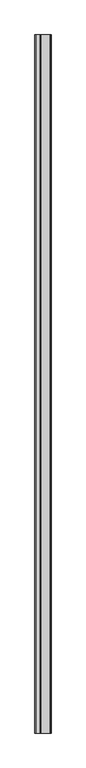
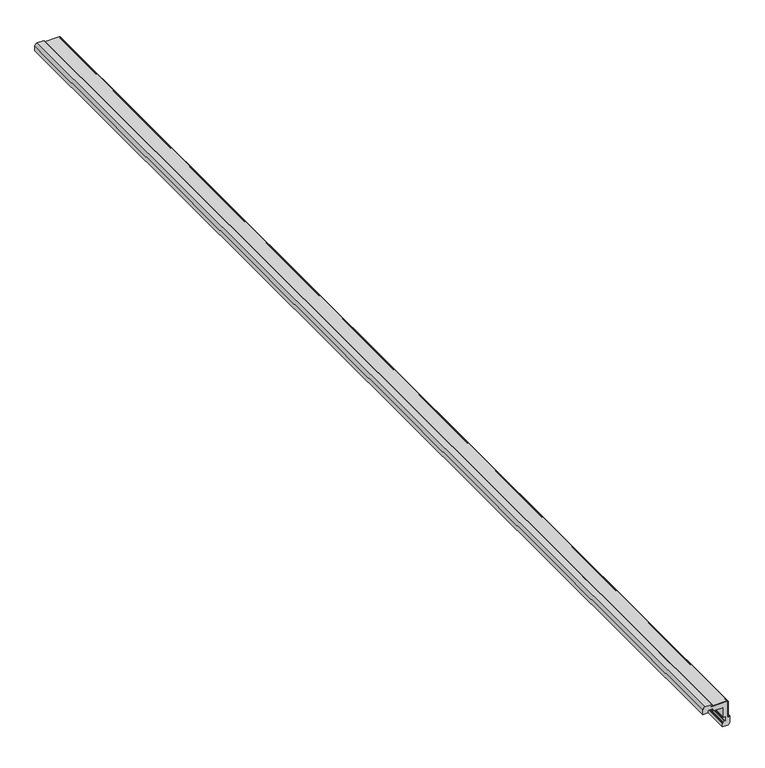
"""IFC4 building model written with IfcOpenShell, lengths in millimetres: proxy geometry."""

import ifcopenshell
import ifcopenshell.guid

model = None  # the IFC model being written
_history = None  # IfcOwnerHistory: only IFC2X3 demands one
_inside = {}  # id of a spatial element -> (the spatial element, [elements in it])
_under = {}  # id of a project, library or spatial element -> (it, [spatial elements below it])
_declared = {}  # id of a project -> (the project, [libraries it declares])
_typed = {}  # id of a type object -> (the type object, [elements of that type])
_made_of = {}  # id of a material, layer set ... -> (it, [elements and type objects made of it])


def new_model(schema):
    """Start an empty IFC model of exactly this schema.

    Asked for "IFC4X3", IfcOpenShell would pick the latest addendum, in which some entities
    have other attributes; the version numbers below select the first issue.
    IFC2X3 requires an IfcOwnerHistory on every rooted entity: one is made here for all.
    """
    global model, _history
    if schema == "IFC4X3":
        model = ifcopenshell.file(schema_version=(4, 3, 0, 0))
    else:
        model = ifcopenshell.file(schema=schema)
    _inside.clear()
    _under.clear()
    _declared.clear()
    _typed.clear()
    _made_of.clear()
    _history = None
    if model.schema == "IFC2X3":
        org = make("IfcOrganization", Name="unknown")
        user = make(
            "IfcPersonAndOrganization",
            ThePerson=make("IfcPerson", FamilyName="unknown"),
            TheOrganization=org,
        )
        app = make(
            "IfcApplication",
            ApplicationDeveloper=org,
            Version="unknown",
            ApplicationFullName="unknown",
            ApplicationIdentifier="unknown",
        )
        _history = make(
            "IfcOwnerHistory",
            OwningUser=user,
            OwningApplication=app,
            ChangeAction="ADDED",
            CreationDate=0,
        )
    return model


def make(cls, **values):
    """One entity of the class cls with the attributes given. An attribute that is None is left unset."""
    return model.create_entity(
        cls, **{name: value for name, value in values.items() if value is not None}
    )


def rooted(cls, **values):
    """An entity with a GlobalId (a new one), such as an element, a storey or a relation."""
    return make(cls, GlobalId=ifcopenshell.guid.new(), OwnerHistory=_history, **values)


def si_unit(unit_type, name, prefix=None):
    """IfcSIUnit, for example si_unit("LENGTHUNIT", "METRE", prefix="MILLI")."""
    return make("IfcSIUnit", UnitType=unit_type, Prefix=prefix, Name=name)


def assignment(units):
    """IfcUnitAssignment: the units of a project."""
    return None if units is None else make("IfcUnitAssignment", Units=units)


def point(xyz):
    """IfcCartesianPoint."""
    return None if xyz is None else make("IfcCartesianPoint", Coordinates=xyz)


def direction(xyz):
    """IfcDirection."""
    return None if xyz is None else make("IfcDirection", DirectionRatios=xyz)


def frame(location, z_axis=None, x_axis=None):
    """IfcAxis2Placement3D, a coordinate frame: its origin and axes. An axis left out is left unset."""
    return make(
        "IfcAxis2Placement3D",
        Location=point(location),
        Axis=direction(z_axis),
        RefDirection=direction(x_axis),
    )


def frame_2d(location, x_axis=None):
    """IfcAxis2Placement2D, a coordinate frame in the plane: its origin and x axis."""
    return make(
        "IfcAxis2Placement2D", Location=point(location), RefDirection=direction(x_axis)
    )


def origin():
    """The frame at (0, 0, 0) with its axes left unset."""
    return frame((0.0, 0.0, 0.0))


def place(relative_to, where):
    """IfcLocalPlacement: puts the frame where relative to a parent placement (None: the world)."""
    return make(
        "IfcLocalPlacement", PlacementRelTo=relative_to, RelativePlacement=where
    )


def context(
    kind, dimensions, precision=None, world=None, true_north=None, identifier=None
):
    """IfcGeometricRepresentationContext, for example the 3D "Model" context."""
    return make(
        "IfcGeometricRepresentationContext",
        ContextIdentifier=identifier,
        ContextType=kind,
        CoordinateSpaceDimension=dimensions,
        Precision=precision,
        WorldCoordinateSystem=world,
        TrueNorth=true_north,
    )


def project(units=None, contexts=None):
    """IfcProject with its units and contexts."""
    return rooted(
        "IfcProject",
        Name="project",
        RepresentationContexts=contexts,
        UnitsInContext=assignment(units),
    )


def spatial(cls, under=None, at=None, **own):
    """A site, building, storey or space (cls), placed at a placement, below another one or the project."""
    s = rooted(cls, ObjectPlacement=at, **own)
    if under is not None:
        _under.setdefault(under.id(), (under, []))[1].append(s)
    return s


def polyline(points):
    """IfcPolyline through the points."""
    return make("IfcPolyline", Points=[point(p) for p in points])


def circle_curve(where, radius):
    """IfcCircle in the frame where."""
    return make("IfcCircle", Position=where, Radius=radius)


def trimmed(basis, trim1, trim2, sense, master):
    """IfcTrimmedCurve: the piece of a basis curve between two trims."""
    return make(
        "IfcTrimmedCurve",
        BasisCurve=basis,
        Trim1=trim1,
        Trim2=trim2,
        SenseAgreement=sense,
        MasterRepresentation=master,
    )


def segment(curve, same_sense, transition):
    """IfcCompositeCurveSegment."""
    return make(
        "IfcCompositeCurveSegment",
        Transition=transition,
        SameSense=same_sense,
        ParentCurve=curve,
    )


def composite_curve(segments, self_intersect=None):
    """IfcCompositeCurve: segments joined end to end."""
    return make("IfcCompositeCurve", Segments=segments, SelfIntersect=self_intersect)


def outline(outer, holes=None, kind="AREA"):
    """IfcArbitraryClosedProfileDef: a profile drawn as a closed curve; with holes, ...WithVoids."""
    if holes is None:
        return make("IfcArbitraryClosedProfileDef", ProfileType=kind, OuterCurve=outer)
    return make(
        "IfcArbitraryProfileDefWithVoids",
        ProfileType=kind,
        OuterCurve=outer,
        InnerCurves=holes,
    )


def extrude(swept, where, along, depth):
    """IfcExtrudedAreaSolid: the profile swept, set in the frame where, extruded along a direction by depth."""
    return make(
        "IfcExtrudedAreaSolid",
        SweptArea=swept,
        Position=where,
        ExtrudedDirection=direction(along),
        Depth=depth,
    )


def shape(context_of_items, identifier, shape_type, items):
    """IfcShapeRepresentation: the items that make up one representation, for example the "Body"."""
    return make(
        "IfcShapeRepresentation",
        ContextOfItems=context_of_items,
        RepresentationIdentifier=identifier,
        RepresentationType=shape_type,
        Items=items,
    )


def source(mapping_origin, context_of_items, identifier, shape_type, items):
    """IfcRepresentationMap: a shape defined once, which mapped items show again and again."""
    return make(
        "IfcRepresentationMap",
        MappingOrigin=mapping_origin,
        MappedRepresentation=shape(context_of_items, identifier, shape_type, items),
    )


def transform(
    local_origin,
    x_axis=None,
    y_axis=None,
    z_axis=None,
    scale=None,
    scale2=None,
    scale3=None,
    uniform=True,
):
    """IfcCartesianTransformationOperator3D, or its non-uniform kind. x_axis, y_axis, z_axis: its Axis1, 2, 3."""
    if uniform:
        return make(
            "IfcCartesianTransformationOperator3D",
            Axis1=direction(x_axis),
            Axis2=direction(y_axis),
            LocalOrigin=point(local_origin),
            Scale=scale,
            Axis3=direction(z_axis),
        )
    return make(
        "IfcCartesianTransformationOperator3DnonUniform",
        Axis1=direction(x_axis),
        Axis2=direction(y_axis),
        LocalOrigin=point(local_origin),
        Scale=scale,
        Axis3=direction(z_axis),
        Scale2=scale2,
        Scale3=scale3,
    )


def mapped(mapping_source, mapping_target):
    """IfcMappedItem: shows the shape of a source again, moved by a transform."""
    return make(
        "IfcMappedItem", MappingSource=mapping_source, MappingTarget=mapping_target
    )


def made_of(thing, what):
    """Note that an element or type object is made of a material, layer set ...; save() writes the relation."""
    if what is not None:
        _made_of.setdefault(what.id(), (what, []))[1].append(thing)
    return thing


def element(
    cls,
    number,
    at=None,
    inside=None,
    cuts=None,
    type_object=None,
    material=None,
    context=None,
    identifier="Body",
    shape_type=None,
    held_by="IfcProductDefinitionShape",
    body=None,
    shapes=None,
    **own,
):
    """One element of the class cls, such as IfcWall. Its Tag is "e" and its number.

    at: its placement. inside: the storey or other place that contains it. cuts: it is an
    opening in that element (IfcRelVoidsElement). A single representation is given by context,
    identifier, shape_type and body (its items); several are given by shapes. held_by: the class
    of the entity that holds the representations. save() writes the other relations.
    """
    e = rooted(cls, Tag="e%d" % number, ObjectPlacement=at, **own)
    if body is not None:
        shapes = [shape(context, identifier, shape_type, body)]
    if shapes is not None:
        e.Representation = make(held_by, Representations=shapes)
    if inside is not None:
        _inside.setdefault(inside.id(), (inside, []))[1].append(e)
    if cuts is not None:
        rooted(
            "IfcRelVoidsElement", RelatingBuildingElement=cuts, RelatedOpeningElement=e
        )
    if type_object is not None:
        _typed.setdefault(type_object.id(), (type_object, []))[1].append(e)
    return made_of(e, material)


def aggregate(whole, parts):
    """IfcRelAggregates: a whole, such as a stair, and the parts it consists of."""
    return rooted("IfcRelAggregates", RelatingObject=whole, RelatedObjects=parts)


def save(model, path):
    """Write the relations noted so far, then the file.

    IfcRelAggregates (storeys below a building ...), IfcRelContainedInSpatialStructure (elements
    in a storey), IfcRelDefinesByType, IfcRelAssociatesMaterial and IfcRelDeclares: one each for
    every whole, place, type object, material and project.
    """
    for whole, parts in _under.values():
        aggregate(whole, parts)
    for where, things in _inside.values():
        rooted(
            "IfcRelContainedInSpatialStructure",
            RelatedElements=things,
            RelatingStructure=where,
        )
    for kind, things in _typed.values():
        rooted("IfcRelDefinesByType", RelatedObjects=things, RelatingType=kind)
    for what, things in _made_of.values():
        rooted("IfcRelAssociatesMaterial", RelatedObjects=things, RelatingMaterial=what)
    for by, libraries in _declared.values():
        rooted("IfcRelDeclares", RelatingContext=by, RelatedDefinitions=libraries)
    model.write(path)


def specialty_equipment_3743a416(model_context):
    return source(origin(), model_context, "Body", "SweptSolid", [
        extrude(outline(composite_curve([segment(polyline([(15.7289346, -28.751816), (14.7389693, -28.751816), (14.7389693, 11.8812652)]), True, "CONTINUOUS"), segment(trimmed(circle_curve(frame_2d((11.9060699, 11.8812652)), 2.8328994), [point((14.7389693, 11.8812652))], [point((11.9060699, 14.7141646))], True, "CARTESIAN"), True, "CONTINUOUS"), segment(polyline([(11.9060699, 14.7141646), (-28.751816, 14.7141646), (-28.751816, 15.7289346), (12.8960352, 15.7289346)]), True, "CONTINUOUS"), segment(trimmed(circle_curve(frame_2d((12.8960352, 12.8960352)), 2.8328994), [point((12.8960352, 15.7289346))], [point((15.7289346, 12.8960352))], False, "CARTESIAN"), True, "CONTINUOUS"), segment(polyline([(15.7289346, 12.8960352), (15.7289346, -28.751816)]), True, "CONTINUOUS")], self_intersect=False)), frame((0.0, -1141.4125, 0.0), z_axis=(0.0, 1.0, 0.0), x_axis=(0.0, 0.0, 1.0)), (0.0, 0.0, 1.0), 3021.0125),
        extrude(outline(composite_curve([segment(trimmed(circle_curve(frame_2d((12.6423428, -44.4384687)), 6.3845943), [point((19.026937, -44.4384687))], [point((11.6066475, -50.7384988))], False, "CARTESIAN"), True, "CONTINUOUS"), segment(polyline([(11.6066475, -50.7384988), (0.0, -50.7384988), (0.0, -41.2673123), (0.8456416, -41.2673123), (0.8456416, -39.6605932)]), True, "CONTINUOUS"), segment(trimmed(circle_curve(frame_2d((2.4523608, -39.6605932)), 1.6067191), [point((0.8456416, -39.6605932))], [point((2.4523608, -38.0538741))], False, "CARTESIAN"), True, "CONTINUOUS"), segment(polyline([(2.4523608, -38.0538741), (5.5812349, -38.0538741)]), True, "CONTINUOUS"), segment(trimmed(circle_curve(frame_2d((5.5812349, -36.447155)), 1.6067191), [point((5.5812349, -38.0538741))], [point((7.187954, -36.447155))], True, "CARTESIAN"), True, "CONTINUOUS"), segment(polyline([(7.187954, -36.447155), (7.187954, -26.9759685)]), True, "CONTINUOUS"), segment(trimmed(circle_curve(frame_2d((5.5812349, -26.9759685)), 1.6067191), [point((7.187954, -26.9759685))], [point((5.5812349, -25.3692494))], True, "CARTESIAN"), True, "CONTINUOUS"), segment(polyline([(5.5812349, -25.3692494), (2.4523608, -25.3692494)]), True, "CONTINUOUS"), segment(trimmed(circle_curve(frame_2d((2.4523608, -23.7625303)), 1.6067191), [point((2.4523608, -25.3692494))], [point((0.8456416, -23.7625303))], False, "CARTESIAN"), True, "CONTINUOUS"), segment(polyline([(0.8456416, -23.7625303), (0.8456416, 0.8456416), (-23.7625303, 0.8456416)]), True, "CONTINUOUS"), segment(trimmed(circle_curve(frame_2d((-23.7625303, 2.4523608)), 1.6067191), [point((-23.7625303, 0.8456416))], [point((-25.3692494, 2.4523608))], False, "CARTESIAN"), True, "CONTINUOUS"), segment(polyline([(-25.3692494, 2.4523608), (-25.3692494, 5.665799)]), True, "CONTINUOUS"), segment(trimmed(circle_curve(frame_2d((-26.8914044, 5.665799)), 1.522155), [point((-25.3692494, 5.665799))], [point((-26.8914044, 7.187954))], True, "CARTESIAN"), True, "CONTINUOUS"), segment(polyline([(-26.8914044, 7.187954), (-36.447155, 7.187954)]), True, "CONTINUOUS"), segment(trimmed(circle_curve(frame_2d((-36.447155, 5.5812349)), 1.6067191), [point((-36.447155, 7.187954))], [point((-38.0538741, 5.5812349))], True, "CARTESIAN"), True, "CONTINUOUS"), segment(polyline([(-38.0538741, 5.5812349), (-38.0538741, 2.3677966)]), True, "CONTINUOUS"), segment(trimmed(circle_curve(frame_2d((-39.5760291, 2.3677966)), 1.522155), [point((-38.0538741, 2.3677966))], [point((-39.5760291, 0.8456416))], False, "CARTESIAN"), True, "CONTINUOUS"), segment(polyline([(-39.5760291, 0.8456416), (-41.1827482, 0.8456416), (-41.1827482, 0.0), (-50.7384988, 0.0), (-50.7384988, 12.6846247)]), True, "CONTINUOUS"), segment(trimmed(circle_curve(frame_2d((-44.3116223, 12.6846247)), 6.4268765), [point((-50.7384988, 12.6846247))], [point((-44.3116223, 19.1115012))], False, "CARTESIAN"), True, "CONTINUOUS"), segment(polyline([(-44.3116223, 19.1115012), (-27.5679177, 19.1115012)]), True, "CONTINUOUS"), segment(trimmed(circle_curve(frame_2d((-27.5679177, 17.5974878)), 1.5140134), [point((-27.5679177, 19.1115012))], [point((-26.3797508, 16.6591404))], False, "CARTESIAN"), True, "CONTINUOUS"), segment(polyline([(-26.3797508, 16.6591404), (-29.1746368, 16.6591404), (-29.1746368, 14.7141646), (11.8812652, 14.7141646)]), True, "CONTINUOUS"), segment(trimmed(circle_curve(frame_2d((11.8812652, 11.8812652)), 2.8328994), [point((11.8812652, 14.7141646))], [point((14.7141646, 11.8812652))], False, "CARTESIAN"), True, "CONTINUOUS"), segment(polyline([(14.7141646, 11.8812652), (14.7141646, -29.1746368), (16.6591404, -29.1746368), (16.6591404, -26.2677854)]), True, "CONTINUOUS"), segment(trimmed(circle_curve(frame_2d((17.4625002, -27.6101995)), 1.5644368), [point((16.6591404, -26.2677854))], [point((19.026937, -27.6101995))], False, "CARTESIAN"), True, "CONTINUOUS"), segment(polyline([(19.026937, -27.6101995), (19.026937, -44.4384687)]), True, "CONTINUOUS")], self_intersect=False)), frame((0.0, -1141.4125, 0.0), z_axis=(0.0, 1.0, 0.0), x_axis=(0.0, 0.0, 1.0)), (0.0, 0.0, 1.0), 3021.0125),
    ])


if __name__ == "__main__":
    model = new_model("IFC4")
    model_context = context("Model", 3, world=origin())
    ifc_project = project(units=[si_unit("LENGTHUNIT", "METRE", prefix="MILLI")], contexts=[model_context])
    site = spatial("IfcSite", under=ifc_project)
    building = spatial("IfcBuilding", under=site)
    placement = place(None, origin())
    specialty_equipment_shape = specialty_equipment_3743a416(model_context)
    element("IfcBuildingElementProxy", 1, Name="Specialty Equipment", at=placement, inside=building, context=model_context, shape_type="MappedRepresentation", body=[
        mapped(specialty_equipment_shape, transform((0.0, 0.0, 0.0), x_axis=(1.0, 0.0, 0.0), y_axis=(0.0, 1.0, 0.0), z_axis=(0.0, 0.0, 1.0))),
    ])
    save(model, "model.ifc")
